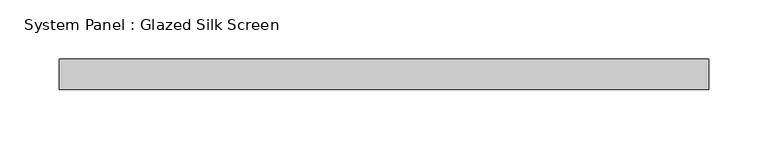
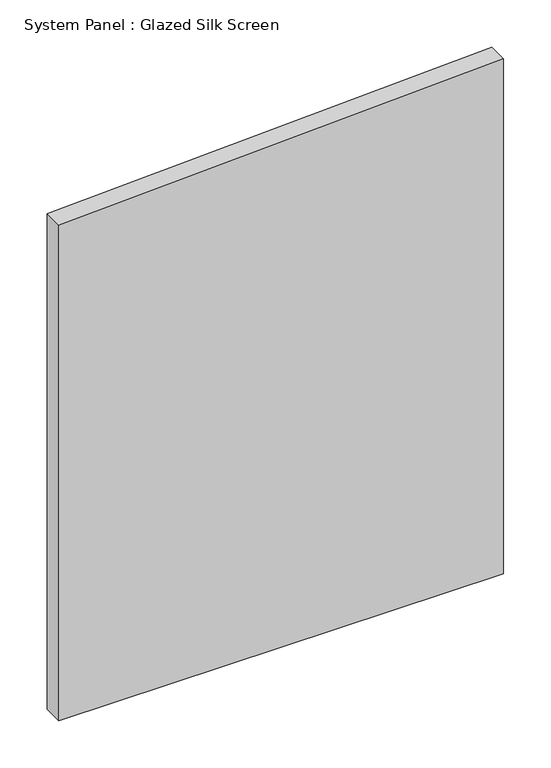
"""IFC4 building model written with IfcOpenShell, lengths in millimetres: plate geometry, System Panel : Glazed Silk Screen."""

from ifc_helpers import new_model, si_unit, frame, origin, place, context, project, spatial, polyline, outline, extrude, source, transform, mapped, element, save


def system_panel_glazed_silk_screen_174f26c0(model_context):
    return source(origin(), model_context, "Body", "SweptSolid", [
        extrude(outline(polyline([(0.0, -273.05), (0.0, 273.05), (667.8070904, 273.05), (643.0008272, -273.05), (0.0, -273.05)])), frame((0.0, 19.05, 0.0), z_axis=(0.0, 1.0, 0.0), x_axis=(0.0, 0.0, 1.0)), (0.0, 0.0, 1.0), 25.4),
    ])


if __name__ == "__main__":
    model = new_model("IFC4")
    model_context = context("Model", 3, world=origin())
    ifc_project = project(units=[si_unit("LENGTHUNIT", "METRE", prefix="MILLI")], contexts=[model_context])
    site = spatial("IfcSite", under=ifc_project)
    building = spatial("IfcBuilding", under=site)
    placement = place(None, origin())
    system_panel_glazed_silk_screen_shape = system_panel_glazed_silk_screen_174f26c0(model_context)
    element("IfcPlate", 1, ObjectType="System Panel : Glazed Silk Screen", at=placement, inside=building, context=model_context, shape_type="MappedRepresentation", body=[
        mapped(system_panel_glazed_silk_screen_shape, transform((0.0, 0.0, 0.0), x_axis=(1.0, 0.0, 0.0), y_axis=(0.0, 1.0, 0.0), z_axis=(0.0, 0.0, 1.0))),
    ])
    save(model, "model.ifc")
